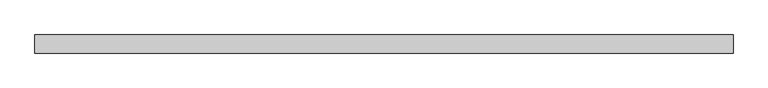
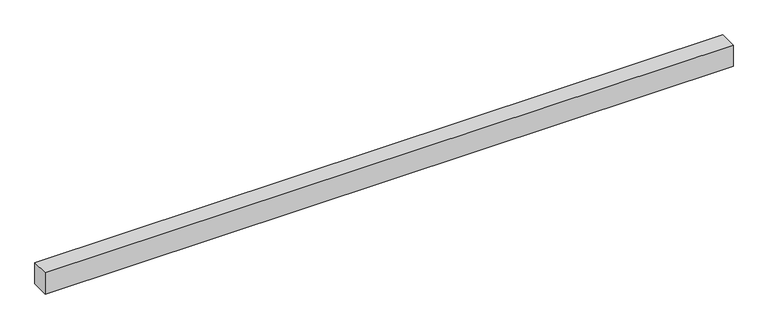
"""IFC4 building model written with IfcOpenShell, lengths in millimetres: proxy geometry."""

from ifc_helpers import new_model, si_unit, origin, origin_with_axes, place, context, project, spatial, polyline, outline, extrude, source, transform, mapped, element, save


def generic_models_8e304de4(model_context):
    return source(origin(), model_context, "Body", "SweptSolid", [
        extrude(outline(polyline([(3080.0, -40.0), (0.0, -40.0), (0.0, 40.0), (3080.0, 40.0), (3080.0, -40.0)])), origin_with_axes(), (0.0, 0.0, 1.0), 100.0),
    ])


if __name__ == "__main__":
    model = new_model("IFC4")
    model_context = context("Model", 3, world=origin())
    ifc_project = project(units=[si_unit("LENGTHUNIT", "METRE", prefix="MILLI")], contexts=[model_context])
    site = spatial("IfcSite", under=ifc_project)
    building = spatial("IfcBuilding", under=site)
    placement = place(None, origin())
    generic_models_shape = generic_models_8e304de4(model_context)
    element("IfcBuildingElementProxy", 1, Name="Generic Models", at=placement, inside=building, context=model_context, shape_type="MappedRepresentation", body=[
        mapped(generic_models_shape, transform((0.0, 0.0, 0.0), x_axis=(1.0, 0.0, 0.0), y_axis=(0.0, 1.0, 0.0), z_axis=(0.0, 0.0, 1.0))),
    ])
    save(model, "model.ifc")
